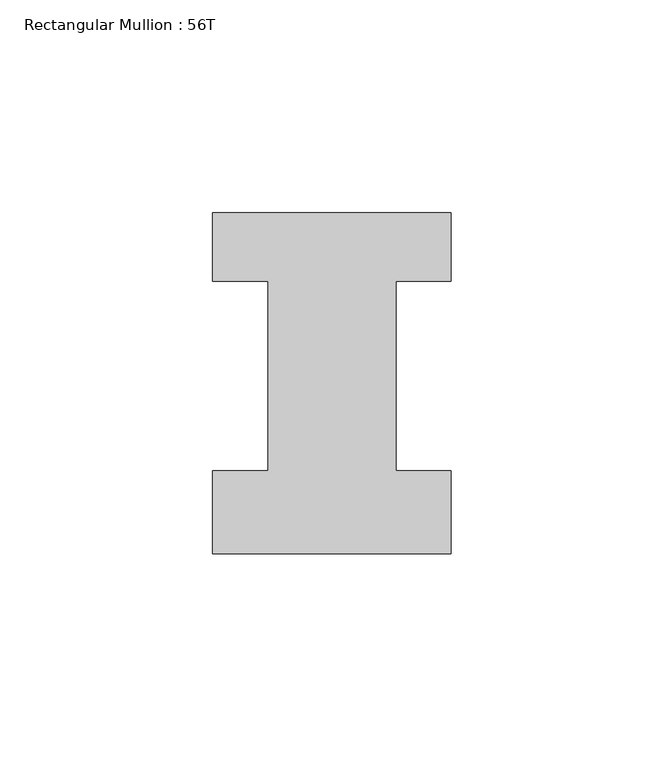
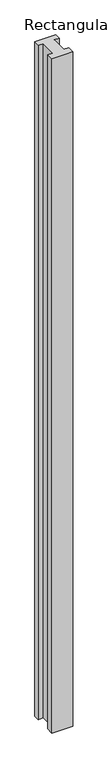
"""IFC4 building model written with IfcOpenShell, lengths in millimetres: member geometry, Rectangular Mullion : 56T."""

from ifc_helpers import new_model, si_unit, frame, origin, place, context, project, spatial, polyline, outline, extrude, source, transform, mapped, element, save


def rectangular_mullion_56t_b32927fa(model_context):
    return source(origin(), model_context, "Body", "SweptSolid", [
        extrude(outline(polyline([(28.0, -20.0), (-28.0, -20.0), (-28.0, -0.5), (-15.0, -0.5), (-15.0, 44.0), (-28.0, 44.0), (-28.0, 60.0), (28.0, 60.0), (28.0, 44.0), (15.0, 44.0), (15.0, -0.5), (28.0, -0.5), (28.0, -20.0)])), frame((0.0, 0.0, -1928.0), z_axis=(0.0, 0.0, 1.0), x_axis=(1.0, 0.0, 0.0)), (0.0, 0.0, 1.0), 1928.0),
    ])


if __name__ == "__main__":
    model = new_model("IFC4")
    model_context = context("Model", 3, world=origin())
    ifc_project = project(units=[si_unit("LENGTHUNIT", "METRE", prefix="MILLI")], contexts=[model_context])
    site = spatial("IfcSite", under=ifc_project)
    building = spatial("IfcBuilding", under=site)
    placement = place(None, origin())
    rectangular_mullion_56t_shape = rectangular_mullion_56t_b32927fa(model_context)
    element("IfcMember", 1, ObjectType="Rectangular Mullion : 56T", at=placement, inside=building, context=model_context, shape_type="MappedRepresentation", body=[
        mapped(rectangular_mullion_56t_shape, transform((0.0, 0.0, 0.0), x_axis=(1.0, 0.0, 0.0), y_axis=(0.0, 1.0, 0.0), z_axis=(0.0, 0.0, 1.0))),
    ])
    save(model, "model.ifc")
